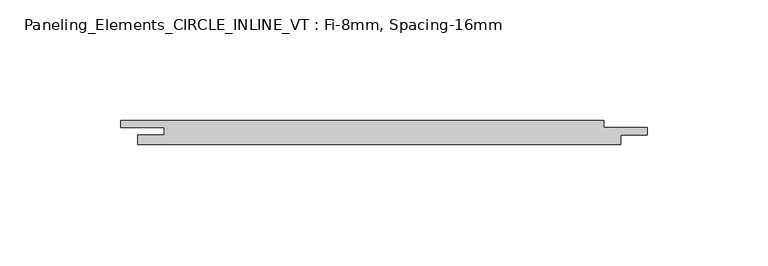
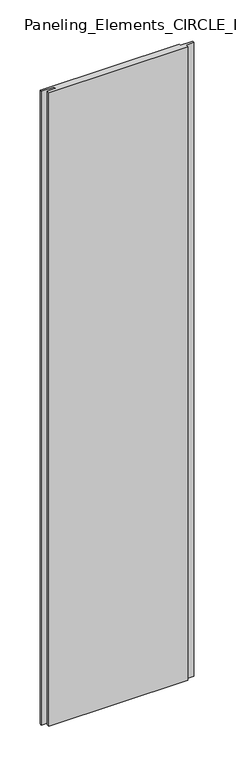
"""IFC4 building model written with IfcOpenShell, lengths in millimetres: plate geometry, Paneling_Elements_CIRCLE_INLINE_VT : Fi-8mm, Spacing-16mm."""

from ifc_helpers import new_model, si_unit, origin, origin_with_axes, place, context, project, spatial, polyline, outline, extrude, source, transform, mapped, element, save


def paneling_elements_circle_inline_vt_fi_8mm_spacing_16mm_2d1a1c33(model_context):
    return source(origin(), model_context, "Body", "SweptSolid", [
        extrude(outline(polyline([(93.0, 5.0), (93.0, 2.0), (111.0, 2.0), (111.0, -1.0), (100.0, -1.0), (100.0, -5.0), (-100.0, -5.0), (-100.0, -1.0), (-89.0, -1.0), (-89.0, 2.0), (-107.0, 2.0), (-107.0, 5.0), (93.0, 5.0)])), origin_with_axes(), (0.0, 0.0, 1.0), 964.5),
    ])


if __name__ == "__main__":
    model = new_model("IFC4")
    model_context = context("Model", 3, world=origin())
    ifc_project = project(units=[si_unit("LENGTHUNIT", "METRE", prefix="MILLI")], contexts=[model_context])
    site = spatial("IfcSite", under=ifc_project)
    building = spatial("IfcBuilding", under=site)
    placement = place(None, origin())
    paneling_elements_circle_inline_vt_fi_8mm_spacing_16mm_shape = paneling_elements_circle_inline_vt_fi_8mm_spacing_16mm_2d1a1c33(model_context)
    element("IfcPlate", 1, ObjectType="Paneling_Elements_CIRCLE_INLINE_VT : Fi-8mm, Spacing-16mm", at=placement, inside=building, context=model_context, shape_type="MappedRepresentation", body=[
        mapped(paneling_elements_circle_inline_vt_fi_8mm_spacing_16mm_shape, transform((0.0, 0.0, 0.0), x_axis=(1.0, 0.0, 0.0), y_axis=(0.0, 1.0, 0.0), z_axis=(0.0, 0.0, 1.0))),
    ])
    save(model, "model.ifc")
